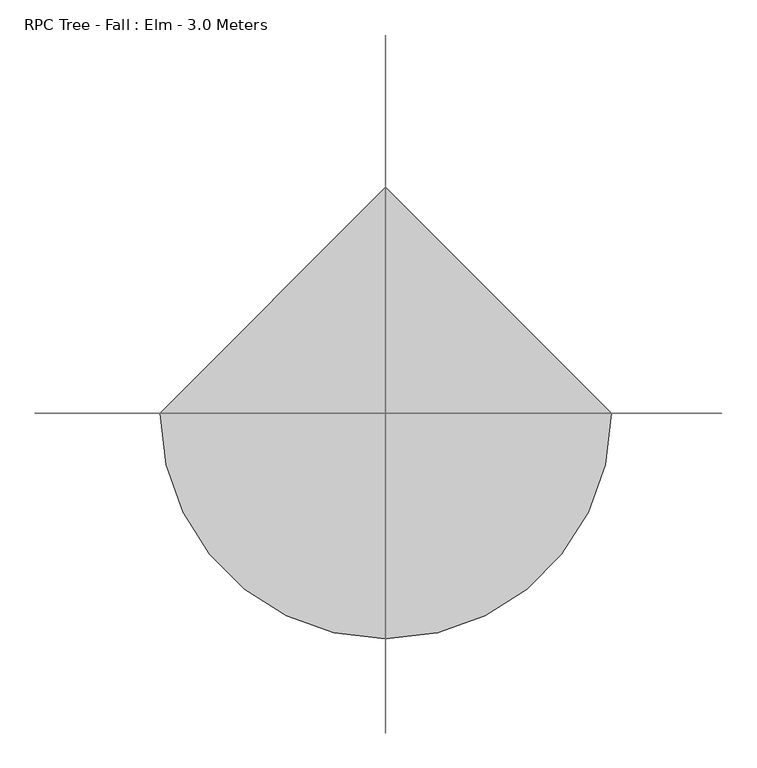
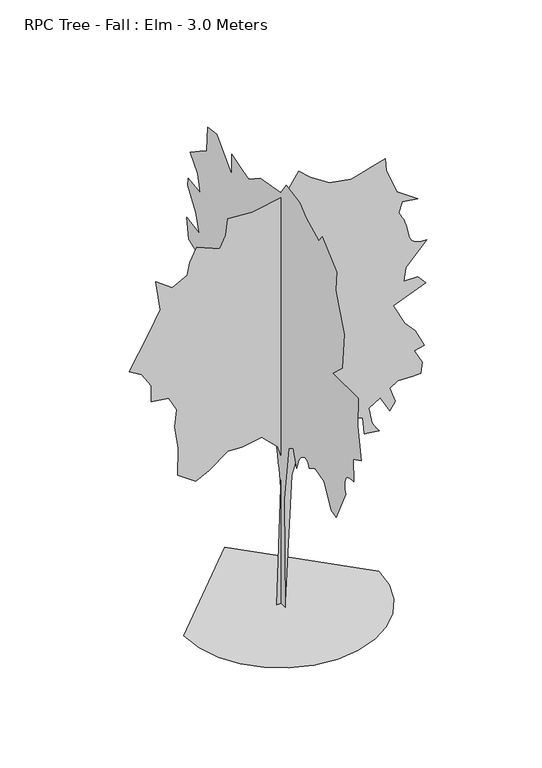
"""IFC4 building model written with IfcOpenShell, lengths in millimetres: geographic element geometry, RPC Tree - Fall : Elm - 3.0 Meters."""

import ifcopenshell
import ifcopenshell.guid

model = None  # the IFC model being written
_history = None  # IfcOwnerHistory: only IFC2X3 demands one
_inside = {}  # id of a spatial element -> (the spatial element, [elements in it])
_under = {}  # id of a project, library or spatial element -> (it, [spatial elements below it])
_declared = {}  # id of a project -> (the project, [libraries it declares])
_typed = {}  # id of a type object -> (the type object, [elements of that type])
_made_of = {}  # id of a material, layer set ... -> (it, [elements and type objects made of it])


def new_model(schema):
    """Start an empty IFC model of exactly this schema.

    Asked for "IFC4X3", IfcOpenShell would pick the latest addendum, in which some entities
    have other attributes; the version numbers below select the first issue.
    IFC2X3 requires an IfcOwnerHistory on every rooted entity: one is made here for all.
    """
    global model, _history
    if schema == "IFC4X3":
        model = ifcopenshell.file(schema_version=(4, 3, 0, 0))
    else:
        model = ifcopenshell.file(schema=schema)
    _inside.clear()
    _under.clear()
    _declared.clear()
    _typed.clear()
    _made_of.clear()
    _history = None
    if model.schema == "IFC2X3":
        org = make("IfcOrganization", Name="unknown")
        user = make(
            "IfcPersonAndOrganization",
            ThePerson=make("IfcPerson", FamilyName="unknown"),
            TheOrganization=org,
        )
        app = make(
            "IfcApplication",
            ApplicationDeveloper=org,
            Version="unknown",
            ApplicationFullName="unknown",
            ApplicationIdentifier="unknown",
        )
        _history = make(
            "IfcOwnerHistory",
            OwningUser=user,
            OwningApplication=app,
            ChangeAction="ADDED",
            CreationDate=0,
        )
    return model


def make(cls, **values):
    """One entity of the class cls with the attributes given. An attribute that is None is left unset."""
    return model.create_entity(
        cls, **{name: value for name, value in values.items() if value is not None}
    )


def rooted(cls, **values):
    """An entity with a GlobalId (a new one), such as an element, a storey or a relation."""
    return make(cls, GlobalId=ifcopenshell.guid.new(), OwnerHistory=_history, **values)


def si_unit(unit_type, name, prefix=None):
    """IfcSIUnit, for example si_unit("LENGTHUNIT", "METRE", prefix="MILLI")."""
    return make("IfcSIUnit", UnitType=unit_type, Prefix=prefix, Name=name)


def assignment(units):
    """IfcUnitAssignment: the units of a project."""
    return None if units is None else make("IfcUnitAssignment", Units=units)


def point(xyz):
    """IfcCartesianPoint."""
    return None if xyz is None else make("IfcCartesianPoint", Coordinates=xyz)


def direction(xyz):
    """IfcDirection."""
    return None if xyz is None else make("IfcDirection", DirectionRatios=xyz)


def frame(location, z_axis=None, x_axis=None):
    """IfcAxis2Placement3D, a coordinate frame: its origin and axes. An axis left out is left unset."""
    return make(
        "IfcAxis2Placement3D",
        Location=point(location),
        Axis=direction(z_axis),
        RefDirection=direction(x_axis),
    )


def origin():
    """The frame at (0, 0, 0) with its axes left unset."""
    return frame((0.0, 0.0, 0.0))


def place(relative_to, where):
    """IfcLocalPlacement: puts the frame where relative to a parent placement (None: the world)."""
    return make(
        "IfcLocalPlacement", PlacementRelTo=relative_to, RelativePlacement=where
    )


def context(
    kind, dimensions, precision=None, world=None, true_north=None, identifier=None
):
    """IfcGeometricRepresentationContext, for example the 3D "Model" context."""
    return make(
        "IfcGeometricRepresentationContext",
        ContextIdentifier=identifier,
        ContextType=kind,
        CoordinateSpaceDimension=dimensions,
        Precision=precision,
        WorldCoordinateSystem=world,
        TrueNorth=true_north,
    )


def project(units=None, contexts=None):
    """IfcProject with its units and contexts."""
    return rooted(
        "IfcProject",
        Name="project",
        RepresentationContexts=contexts,
        UnitsInContext=assignment(units),
    )


def spatial(cls, under=None, at=None, **own):
    """A site, building, storey or space (cls), placed at a placement, below another one or the project."""
    s = rooted(cls, ObjectPlacement=at, **own)
    if under is not None:
        _under.setdefault(under.id(), (under, []))[1].append(s)
    return s


def point_list(points):
    """IfcCartesianPointList2D or 3D."""
    cls = (
        "IfcCartesianPointList2D" if len(points[0]) == 2 else "IfcCartesianPointList3D"
    )
    return make(cls, CoordList=points)


def triangles(points, corners, closed=None, point_numbers=None):
    """IfcTriangulatedFaceSet: each triangle names its three corners, points numbered from 1."""
    return make(
        "IfcTriangulatedFaceSet",
        Coordinates=point_list(points),
        Closed=closed,
        CoordIndex=corners,
        PnIndex=point_numbers,
    )


def shape(context_of_items, identifier, shape_type, items):
    """IfcShapeRepresentation: the items that make up one representation, for example the "Body"."""
    return make(
        "IfcShapeRepresentation",
        ContextOfItems=context_of_items,
        RepresentationIdentifier=identifier,
        RepresentationType=shape_type,
        Items=items,
    )


def source(mapping_origin, context_of_items, identifier, shape_type, items):
    """IfcRepresentationMap: a shape defined once, which mapped items show again and again."""
    return make(
        "IfcRepresentationMap",
        MappingOrigin=mapping_origin,
        MappedRepresentation=shape(context_of_items, identifier, shape_type, items),
    )


def transform(
    local_origin,
    x_axis=None,
    y_axis=None,
    z_axis=None,
    scale=None,
    scale2=None,
    scale3=None,
    uniform=True,
):
    """IfcCartesianTransformationOperator3D, or its non-uniform kind. x_axis, y_axis, z_axis: its Axis1, 2, 3."""
    if uniform:
        return make(
            "IfcCartesianTransformationOperator3D",
            Axis1=direction(x_axis),
            Axis2=direction(y_axis),
            LocalOrigin=point(local_origin),
            Scale=scale,
            Axis3=direction(z_axis),
        )
    return make(
        "IfcCartesianTransformationOperator3DnonUniform",
        Axis1=direction(x_axis),
        Axis2=direction(y_axis),
        LocalOrigin=point(local_origin),
        Scale=scale,
        Axis3=direction(z_axis),
        Scale2=scale2,
        Scale3=scale3,
    )


def mapped(mapping_source, mapping_target):
    """IfcMappedItem: shows the shape of a source again, moved by a transform."""
    return make(
        "IfcMappedItem", MappingSource=mapping_source, MappingTarget=mapping_target
    )


def made_of(thing, what):
    """Note that an element or type object is made of a material, layer set ...; save() writes the relation."""
    if what is not None:
        _made_of.setdefault(what.id(), (what, []))[1].append(thing)
    return thing


def element(
    cls,
    number,
    at=None,
    inside=None,
    cuts=None,
    type_object=None,
    material=None,
    context=None,
    identifier="Body",
    shape_type=None,
    held_by="IfcProductDefinitionShape",
    body=None,
    shapes=None,
    **own,
):
    """One element of the class cls, such as IfcWall. Its Tag is "e" and its number.

    at: its placement. inside: the storey or other place that contains it. cuts: it is an
    opening in that element (IfcRelVoidsElement). A single representation is given by context,
    identifier, shape_type and body (its items); several are given by shapes. held_by: the class
    of the entity that holds the representations. save() writes the other relations.
    """
    e = rooted(cls, Tag="e%d" % number, ObjectPlacement=at, **own)
    if body is not None:
        shapes = [shape(context, identifier, shape_type, body)]
    if shapes is not None:
        e.Representation = make(held_by, Representations=shapes)
    if inside is not None:
        _inside.setdefault(inside.id(), (inside, []))[1].append(e)
    if cuts is not None:
        rooted(
            "IfcRelVoidsElement", RelatingBuildingElement=cuts, RelatedOpeningElement=e
        )
    if type_object is not None:
        _typed.setdefault(type_object.id(), (type_object, []))[1].append(e)
    return made_of(e, material)


def aggregate(whole, parts):
    """IfcRelAggregates: a whole, such as a stair, and the parts it consists of."""
    return rooted("IfcRelAggregates", RelatingObject=whole, RelatedObjects=parts)


def save(model, path):
    """Write the relations noted so far, then the file.

    IfcRelAggregates (storeys below a building ...), IfcRelContainedInSpatialStructure (elements
    in a storey), IfcRelDefinesByType, IfcRelAssociatesMaterial and IfcRelDeclares: one each for
    every whole, place, type object, material and project.
    """
    for whole, parts in _under.values():
        aggregate(whole, parts)
    for where, things in _inside.values():
        rooted(
            "IfcRelContainedInSpatialStructure",
            RelatedElements=things,
            RelatingStructure=where,
        )
    for kind, things in _typed.values():
        rooted("IfcRelDefinesByType", RelatedObjects=things, RelatingType=kind)
    for what, things in _made_of.values():
        rooted("IfcRelAssociatesMaterial", RelatedObjects=things, RelatingMaterial=what)
    for by, libraries in _declared.values():
        rooted("IfcRelDeclares", RelatingContext=by, RelatedDefinitions=libraries)
    model.write(path)


def rpc_tree_fall_elm_3_0_meters_5128d36c(model_context):
    return source(origin(), model_context, "Body", "Tessellation", [
        triangles([(0.0024752, -46.8779798, 0.2315082), (0.0024987, -35.2959856, 752.9947357), (0.0025048, -87.4147134, 1140.9895849), (0.0025004, -139.5331982, 1175.7345572), (0.0024927, -180.0699317, 1059.9170626), (0.0024929, -183.9024194, 1077.2721079), (0.0024929, -188.3934244, 1094.5270866), (0.0024928, -194.2011731, 1111.5795341), (0.0024925, -201.9841646, 1128.3270584), (0.0024919, -212.4014248, 1144.6695202), (0.0024909, -226.1106534, 1160.5070709), (0.0024896, -243.770404, 1175.7345572), (0.002488, -261.937391, 1186.7420248), (0.0024865, -277.0648833, 1190.7620556), (0.0024852, -289.6598813, 1188.9545351), (0.0024839, -300.2273867, 1182.4895227), (0.0024826, -309.2773793, 1172.5270494), (0.0024814, -317.3148611, 1160.2370293), (0.0024802, -324.8448884, 1146.7795658), (0.0024742, -394.3348329, 1187.3170624), (0.0024625, -498.572293, 1158.362071), (0.0024495, -579.644779, 1007.7971334), (0.0024436, -631.7647808, 990.4246473), (0.0024388, -741.7922218, 1216.2720537), (0.0024397, -738.1446974, 1232.3945435), (0.0024405, -734.9547031, 1248.4669636), (0.0024412, -732.6746824, 1264.4395351), (0.0024418, -731.7622381, 1280.2594997), (0.0024421, -732.6746824, 1295.8770058), (0.0024423, -735.8672201, 1311.2394402), (0.0024421, -741.7922218, 1326.2994221), (0.0024416, -750.4196749, 1339.1644798), (0.0024407, -761.174687, 1348.3844112), (0.0024396, -773.7021927, 1354.5619411), (0.0024383, -787.6471991, 1358.3095322), (0.0024368, -802.657184, 1360.2344147), (0.0024351, -818.374684, 1360.9444004), (0.0024335, -834.4471767, 1361.0443943), (0.0024387, -828.6571959, 1517.4018562), (0.0024304, -921.3121508, 1563.7294064), (0.0024412, -880.7746542, 1783.7842884), (0.0024465, -886.5671785, 1980.6767761), (0.0024767, -597.0172651, 1980.6767761), (0.0024688, -701.2547253, 2079.1242554), (0.0024739, -724.4197357, 2333.9265804), (0.0024852, -660.7197721, 2490.2814262), (0.0024916, -625.9722565, 2582.9240273), (0.0024944, -637.5547617, 2716.1240364), (0.0025158, -475.409826, 2866.6988571), (0.0025184, -434.8723294, 2814.5738411), (0.0025356, -290.0973909, 2884.0739594), (0.0025454, -214.8159213, 2947.7738503), (0.0025625, -58.4602262, 2976.7238274), (0.0025664, 5.2403227, 2884.0739594), (0.00259, 242.6693992, 2843.5238182), (0.0026013, 375.8623412, 2756.6738869), (0.0026091, 445.352322, 2774.0489891), (0.0026229, 566.9622683, 2814.5738411), (0.0026186, 566.9622683, 2669.7989571), (0.0026421, 740.6922163, 2849.3237549), (0.0026526, 844.927133, 2837.74888), (0.0026508, 850.7196573, 2756.6738869), (0.0026487, 856.5096382, 2663.9990204), (0.0026556, 937.5846313, 2611.8990028), (0.0026648, 1047.6120724, 2536.5989479), (0.0026528, 960.7470984, 2438.1614971), (0.0026463, 931.792107, 2322.3441479), (0.0026613, 1070.774612, 2339.716634), (0.0026604, 1076.5670637, 2287.5990303), (0.0026468, 983.9121088, 2154.4067242), (0.0026389, 943.3746122, 2032.7967052), (0.0026547, 1088.1495689, 2055.9592449), (0.0026481, 1064.9845585, 1916.9767399), (0.002638, 978.1195845, 1882.2317677), (0.002625, 856.5096382, 1870.6493351), (0.0026184, 827.5546469, 1749.0393162), (0.0026034, 729.1097111, 1592.684325), (0.0025972, 671.1997284, 1586.891946), (0.0025886, 601.7072768, 1540.5643959), (0.0025892, 642.2447371, 1418.954377), (0.0025814, 590.1272787, 1337.882), (0.0025787, 595.9172596, 1227.8545589), (0.0025839, 671.1997284, 1140.9895849), (0.0025751, 595.9172596, 1106.24454), (0.0025756, 561.1722874, 1245.2270451), (0.0025688, 497.4722875, 1239.4345207), (0.00256, 433.7698168, 1169.9445763), (0.0025581, 445.352322, 1065.7071161), (0.002557, 462.7248081, 967.2621077), (0.0025513, 393.2348637, 1019.379566), (0.002557, 404.8173326, 1169.9445763), (0.0025537, 352.6973671, 1239.4345207), (0.0025363, 184.7599252, 1245.2270451), (0.0025215, 68.9409727, 1152.5720175), (0.0025144, 40.0707327, 1016.8795732), (0.0025122, 31.3927377, 973.777117), (0.0025102, 23.5250652, 932.4971512), (0.0025083, 16.6705179, 893.4971334), (0.0025066, 11.0315453, 857.2321959), (0.0025047, 7.5873968, 804.759672), (0.0025021, 6.8783223, 720.3772499), (0.002499, 8.4484714, 609.4047721), (0.0024831, 28.404489, 0.2315127), (-29.874739, -0.012947, 0.0), (5.1435479, -0.013067, 1021.4696274), (-24.0382652, -0.0130744, 1109.0145744), (-129.092947, -0.0130905, 1214.0694992), (-263.3298932, -0.0130801, 1190.7245579), (-356.7123473, -0.0130865, 1196.5595215), (-479.2748154, -0.0130694, 1103.1795382), (-566.8197624, -0.0130708, 1056.487112), (-689.3847376, -0.013084, 1144.0320591), (-683.5472305, -0.0131038, 1330.7969673), (-706.8947153, -0.0131188, 1488.3793545), (-695.2197012, -0.0131317, 1605.1068226), (-747.7472363, -0.0131503, 1704.324313), (-864.4746317, -0.0131452, 1721.8342907), (-864.4746317, -0.0131568, 1832.7243244), (-928.6746374, -0.0131747, 1931.9416695), (-1010.3846209, -0.0131753, 1984.4692772), (-881.9846821, -0.0132061, 2206.2516701), (-806.1122057, -0.0132252, 2346.3240795), (-835.2946541, -0.0132454, 2556.4239006), (-724.4022223, -0.0132435, 2474.7265617), (-625.1847319, -0.0132435, 2527.2489372), (-607.6747541, -0.013253, 2608.9738907), (-560.9847625, -0.0132656, 2702.3490051), (-409.239846, -0.0132565, 2638.1488541), (-368.3848543, -0.0132675, 2719.8488091), (-356.7123473, -0.0132797, 2830.7490166), (-193.2929255, -0.0132769, 2819.0738571), (22.6526666, -0.0132826, 2859.9239799), (116.0347052, -0.0133028, 2999.9988602), (191.9074177, -0.0132886, 2929.973774), (320.3073747, -0.0132877, 2848.2488205), (466.2173275, -0.013282, 2819.0738571), (693.8347567, -0.0132909, 2883.2740082), (699.672191, -0.0132827, 2801.5737625), (769.707233, -0.0132572, 2626.4739853), (909.7796425, -0.0132438, 2527.2489372), (804.7271885, -0.0132508, 2544.7740303), (781.3797037, -0.0132421, 2474.7265617), (792.5947168, -0.0132408, 2455.8541672), (803.5521875, -0.0132394, 2436.3214931), (813.9996603, -0.0132264, 2415.4591038), (823.6822088, -0.0132246, 2392.6065742), (832.3421453, -0.0132225, 2367.1015903), (839.7271597, -0.0132199, 2338.2766056), (845.5796368, -0.0132169, 2305.4716312), (853.1346989, -0.0132141, 2275.0465988), (865.284684, -0.0132125, 2252.8915558), (881.2621244, -0.0132119, 2237.6291153), (900.3021687, -0.013212, 2227.879129), (921.6421452, -0.0132127, 2222.2640648), (944.5096447, -0.0132138, 2219.4066811), (968.1446119, -0.0132036, 2217.9240681), (828.0722025, -0.0131915, 2072.016695), (816.3996592, -0.013181, 1978.6341682), (909.7821133, -0.0131752, 1978.6341682), (962.3071049, -0.0131722, 1920.2692715), (746.362219, -0.0131616, 1832.7243244), (822.2346954, -0.0131389, 1680.9793716), (892.2721355, -0.0131352, 1605.1068226), (950.6346342, -0.0131259, 1482.5419201), (886.4346285, -0.0131202, 1465.0344131), (938.9621635, -0.0131016, 1365.814452), (927.2896202, -0.0130936, 1295.7794827), (874.7621578, -0.0131013, 1289.9420483), (775.5446674, -0.013096, 1295.7794827), (723.017205, -0.0130892, 1260.7595272), (758.0346897, -0.0130803, 1155.7070732), (723.017205, -0.0130728, 1103.1795382), (658.817272, -0.0130919, 1214.0694992), (582.9447593, -0.0130825, 1167.3795439), (600.4522662, -0.0130744, 1079.8320534), (603.974762, -0.0130731, 1065.164562), (609.3347546, -0.0130719, 1051.109606), (616.2272844, -0.0130709, 1037.5671186), (624.3422688, -0.01307, 1024.4296211), (633.3797258, -0.0130692, 1011.5995903), (643.0272474, -0.0130571, 998.9746342), (652.9797649, -0.0130564, 986.4521427), (553.7622746, -0.0130631, 998.1246134), (542.0898039, -0.0130746, 1114.8520815), (472.0523274, -0.0130842, 1138.1970228), (402.0173581, -0.0130861, 1196.5595215), (285.28989, -0.0130912, 1202.3970285), (285.28989, -0.013064, 1050.6520758), (221.0894119, -0.0130709, 1044.8145687), (238.5984086, -0.013086, 1179.0520145), (145.216445, -0.0130749, 1126.5245522), (69.3437234, -0.0130442, 875.5596382), (28.4889883, -0.0129391, 0.1155707), (-649.9047346, 1e-05, 0.2273569), (-632.7247513, -148.915438, 0.2273472), (-583.7922729, -285.6698813, 0.2273362), (-507.0273002, -406.3473264, 0.2273242), (-406.3473264, -507.0273002, 0.2273122), (-285.6698813, -583.7922729, 0.2273004), (-148.9151927, -632.7247513, 0.2272894), (2.84e-05, -649.9047346, 0.2272794), (148.915438, -632.7247513, 0.2272717), (285.6698813, -583.7922729, 0.2272664), (406.3473264, -507.0273002, 0.2272639), (507.0273002, -406.3473264, 0.2272639), (583.7922729, -285.6698813, 0.2272664), (632.7247513, -148.9151927, 0.2272717), (649.9047346, 5.79e-05, 0.2272794), (-8.52e-05, 649.9047346, 0.2273569)], [[4, 5, 6], [4, 6, 7], [88, 89, 90], [88, 90, 91], [87, 88, 91], [4, 7, 8], [4, 8, 9], [71, 72, 73], [71, 73, 74], [57, 58, 59], [82, 83, 84], [82, 84, 85], [81, 82, 85], [71, 74, 75], [64, 65, 66], [48, 49, 50], [4, 9, 10], [102, 103, 1], [102, 1, 2], [101, 102, 2], [100, 101, 2], [100, 2, 3], [99, 100, 3], [98, 99, 3], [97, 98, 3], [96, 97, 3], [95, 96, 3], [37, 38, 39], [41, 42, 43], [18, 19, 20], [94, 95, 3], [67, 68, 69], [67, 69, 70], [36, 37, 39], [22, 23, 24], [21, 22, 24], [21, 24, 25], [21, 25, 26], [60, 61, 62], [59, 60, 62], [59, 62, 63], [21, 26, 27], [17, 18, 20], [39, 40, 41], [35, 36, 39], [4, 10, 11], [47, 48, 50], [21, 27, 28], [81, 85, 86], [39, 41, 43], [52, 53, 54], [34, 35, 39], [21, 28, 29], [16, 17, 20], [51, 52, 54], [56, 57, 59], [87, 91, 92], [86, 87, 92], [76, 77, 78], [79, 80, 81], [4, 11, 12], [63, 64, 66], [59, 63, 66], [59, 66, 67], [21, 29, 30], [20, 21, 30], [20, 30, 31], [81, 86, 92], [79, 81, 92], [79, 92, 93], [34, 39, 43], [33, 34, 43], [32, 33, 43], [31, 32, 43], [20, 31, 43], [16, 20, 43], [15, 16, 43], [14, 15, 43], [13, 14, 43], [43, 44, 45], [43, 45, 46], [94, 3, 4], [93, 94, 4], [12, 13, 43], [4, 12, 43], [93, 4, 43], [79, 93, 43], [79, 43, 46], [79, 46, 47], [79, 47, 50], [79, 50, 51], [79, 51, 54], [79, 54, 55], [79, 55, 56], [79, 56, 59], [79, 59, 67], [78, 79, 67], [76, 78, 67], [75, 76, 67], [71, 75, 67], [71, 67, 70], [139, 140, 141], [181, 182, 183], [122, 123, 124], [155, 156, 157], [180, 181, 183], [154, 155, 157], [171, 172, 173], [170, 171, 173], [179, 180, 183], [159, 160, 161], [158, 159, 161], [153, 154, 157], [179, 183, 184], [178, 179, 184], [177, 178, 184], [176, 177, 184], [175, 176, 184], [174, 175, 184], [188, 189, 190], [187, 188, 190], [136, 137, 138], [163, 164, 165], [132, 133, 134], [193, 104, 105], [192, 193, 105], [191, 192, 105], [191, 105, 106], [129, 130, 131], [152, 153, 157], [119, 120, 121], [126, 127, 128], [116, 117, 118], [166, 167, 168], [174, 184, 185], [125, 126, 128], [165, 166, 168], [165, 168, 169], [151, 152, 157], [136, 138, 139], [110, 111, 112], [110, 112, 113], [109, 110, 113], [109, 113, 114], [109, 114, 115], [132, 134, 135], [174, 185, 186], [191, 106, 107], [190, 191, 107], [108, 109, 115], [107, 108, 115], [162, 163, 165], [162, 165, 169], [162, 169, 170], [118, 119, 121], [139, 141, 142], [136, 139, 142], [173, 174, 186], [162, 170, 173], [162, 173, 186], [161, 162, 186], [161, 186, 187], [150, 151, 157], [116, 118, 121], [116, 121, 122], [116, 122, 124], [116, 124, 125], [116, 125, 128], [115, 116, 128], [107, 115, 128], [190, 107, 128], [187, 190, 128], [161, 187, 128], [158, 161, 128], [157, 158, 128], [150, 157, 128], [149, 150, 128], [148, 149, 128], [147, 148, 128], [146, 147, 128], [145, 146, 128], [144, 145, 128], [143, 144, 128], [142, 143, 128], [136, 142, 128], [135, 136, 128], [132, 135, 128], [131, 132, 128], [129, 131, 128], [208, 209, 194], [207, 208, 194], [207, 194, 195], [206, 207, 195], [206, 195, 196], [206, 196, 197], [205, 206, 197], [204, 205, 197], [204, 197, 198], [204, 198, 199], [204, 199, 200], [204, 200, 201], [204, 201, 202], [204, 202, 203]], closed=False),
    ])


if __name__ == "__main__":
    model = new_model("IFC4")
    model_context = context("Model", 3, world=origin())
    ifc_project = project(units=[si_unit("LENGTHUNIT", "METRE", prefix="MILLI")], contexts=[model_context])
    site = spatial("IfcSite", under=ifc_project)
    building = spatial("IfcBuilding", under=site)
    placement = place(None, origin())
    rpc_tree_fall_elm_3_0_meters_shape = rpc_tree_fall_elm_3_0_meters_5128d36c(model_context)
    element("IfcGeographicElement", 1, ObjectType="RPC Tree - Fall : Elm - 3.0 Meters", at=placement, inside=building, context=model_context, shape_type="MappedRepresentation", body=[
        mapped(rpc_tree_fall_elm_3_0_meters_shape, transform((0.0, 0.0, 0.0), x_axis=(1.0, 0.0, 0.0), y_axis=(0.0, 1.0, 0.0), z_axis=(0.0, 0.0, 1.0))),
    ])
    save(model, "model.ifc")
